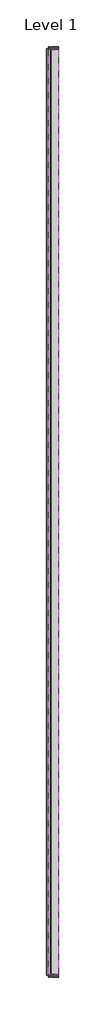
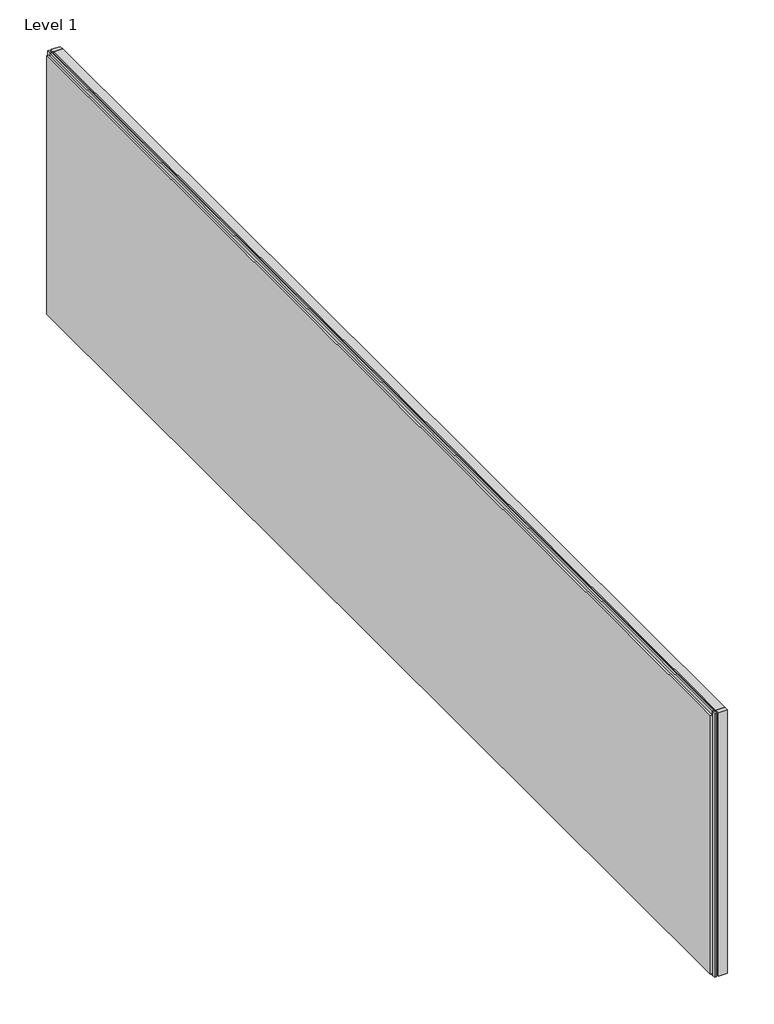
# One storey: 4 members, 1 plate.
"""IFC4 building model written with IfcOpenShell, lengths in millimetres."""

import ifcopenshell
import ifcopenshell.guid

model = None  # the IFC model being written
_history = None  # IfcOwnerHistory: only IFC2X3 demands one
_inside = {}  # id of a spatial element -> (the spatial element, [elements in it])
_under = {}  # id of a project, library or spatial element -> (it, [spatial elements below it])
_declared = {}  # id of a project -> (the project, [libraries it declares])
_typed = {}  # id of a type object -> (the type object, [elements of that type])
_made_of = {}  # id of a material, layer set ... -> (it, [elements and type objects made of it])


def new_model(schema):
    """Start an empty IFC model of exactly this schema.

    Asked for "IFC4X3", IfcOpenShell would pick the latest addendum, in which some entities
    have other attributes; the version numbers below select the first issue.
    IFC2X3 requires an IfcOwnerHistory on every rooted entity: one is made here for all.
    """
    global model, _history
    if schema == "IFC4X3":
        model = ifcopenshell.file(schema_version=(4, 3, 0, 0))
    else:
        model = ifcopenshell.file(schema=schema)
    _inside.clear()
    _under.clear()
    _declared.clear()
    _typed.clear()
    _made_of.clear()
    _history = None
    if model.schema == "IFC2X3":
        org = make("IfcOrganization", Name="unknown")
        user = make(
            "IfcPersonAndOrganization",
            ThePerson=make("IfcPerson", FamilyName="unknown"),
            TheOrganization=org,
        )
        app = make(
            "IfcApplication",
            ApplicationDeveloper=org,
            Version="unknown",
            ApplicationFullName="unknown",
            ApplicationIdentifier="unknown",
        )
        _history = make(
            "IfcOwnerHistory",
            OwningUser=user,
            OwningApplication=app,
            ChangeAction="ADDED",
            CreationDate=0,
        )
    return model


def make(cls, **values):
    """One entity of the class cls with the attributes given. An attribute that is None is left unset."""
    return model.create_entity(
        cls, **{name: value for name, value in values.items() if value is not None}
    )


def rooted(cls, **values):
    """An entity with a GlobalId (a new one), such as an element, a storey or a relation."""
    return make(cls, GlobalId=ifcopenshell.guid.new(), OwnerHistory=_history, **values)


def si_unit(unit_type, name, prefix=None):
    """IfcSIUnit, for example si_unit("LENGTHUNIT", "METRE", prefix="MILLI")."""
    return make("IfcSIUnit", UnitType=unit_type, Prefix=prefix, Name=name)


def assignment(units):
    """IfcUnitAssignment: the units of a project."""
    return None if units is None else make("IfcUnitAssignment", Units=units)


def point(xyz):
    """IfcCartesianPoint."""
    return None if xyz is None else make("IfcCartesianPoint", Coordinates=xyz)


def direction(xyz):
    """IfcDirection."""
    return None if xyz is None else make("IfcDirection", DirectionRatios=xyz)


def frame(location, z_axis=None, x_axis=None):
    """IfcAxis2Placement3D, a coordinate frame: its origin and axes. An axis left out is left unset."""
    return make(
        "IfcAxis2Placement3D",
        Location=point(location),
        Axis=direction(z_axis),
        RefDirection=direction(x_axis),
    )


def origin():
    """The frame at (0, 0, 0) with its axes left unset."""
    return frame((0.0, 0.0, 0.0))


def origin_with_axes():
    """The frame at (0, 0, 0) with the z axis (0, 0, 1) and the x axis (1, 0, 0) written out."""
    return frame((0.0, 0.0, 0.0), z_axis=(0.0, 0.0, 1.0), x_axis=(1.0, 0.0, 0.0))


def place(relative_to, where):
    """IfcLocalPlacement: puts the frame where relative to a parent placement (None: the world)."""
    return make(
        "IfcLocalPlacement", PlacementRelTo=relative_to, RelativePlacement=where
    )


def context(
    kind, dimensions, precision=None, world=None, true_north=None, identifier=None
):
    """IfcGeometricRepresentationContext, for example the 3D "Model" context."""
    return make(
        "IfcGeometricRepresentationContext",
        ContextIdentifier=identifier,
        ContextType=kind,
        CoordinateSpaceDimension=dimensions,
        Precision=precision,
        WorldCoordinateSystem=world,
        TrueNorth=true_north,
    )


def project(units=None, contexts=None):
    """IfcProject with its units and contexts."""
    return rooted(
        "IfcProject",
        Name="project",
        RepresentationContexts=contexts,
        UnitsInContext=assignment(units),
    )


def spatial(cls, under=None, at=None, **own):
    """A site, building, storey or space (cls), placed at a placement, below another one or the project."""
    s = rooted(cls, ObjectPlacement=at, **own)
    if under is not None:
        _under.setdefault(under.id(), (under, []))[1].append(s)
    return s


def polyline(points):
    """IfcPolyline through the points."""
    return make("IfcPolyline", Points=[point(p) for p in points])


def outline(outer, holes=None, kind="AREA"):
    """IfcArbitraryClosedProfileDef: a profile drawn as a closed curve; with holes, ...WithVoids."""
    if holes is None:
        return make("IfcArbitraryClosedProfileDef", ProfileType=kind, OuterCurve=outer)
    return make(
        "IfcArbitraryProfileDefWithVoids",
        ProfileType=kind,
        OuterCurve=outer,
        InnerCurves=holes,
    )


def extrude(swept, where, along, depth):
    """IfcExtrudedAreaSolid: the profile swept, set in the frame where, extruded along a direction by depth."""
    return make(
        "IfcExtrudedAreaSolid",
        SweptArea=swept,
        Position=where,
        ExtrudedDirection=direction(along),
        Depth=depth,
    )


def shape(context_of_items, identifier, shape_type, items):
    """IfcShapeRepresentation: the items that make up one representation, for example the "Body"."""
    return make(
        "IfcShapeRepresentation",
        ContextOfItems=context_of_items,
        RepresentationIdentifier=identifier,
        RepresentationType=shape_type,
        Items=items,
    )


def source(mapping_origin, context_of_items, identifier, shape_type, items):
    """IfcRepresentationMap: a shape defined once, which mapped items show again and again."""
    return make(
        "IfcRepresentationMap",
        MappingOrigin=mapping_origin,
        MappedRepresentation=shape(context_of_items, identifier, shape_type, items),
    )


def transform(
    local_origin,
    x_axis=None,
    y_axis=None,
    z_axis=None,
    scale=None,
    scale2=None,
    scale3=None,
    uniform=True,
):
    """IfcCartesianTransformationOperator3D, or its non-uniform kind. x_axis, y_axis, z_axis: its Axis1, 2, 3."""
    if uniform:
        return make(
            "IfcCartesianTransformationOperator3D",
            Axis1=direction(x_axis),
            Axis2=direction(y_axis),
            LocalOrigin=point(local_origin),
            Scale=scale,
            Axis3=direction(z_axis),
        )
    return make(
        "IfcCartesianTransformationOperator3DnonUniform",
        Axis1=direction(x_axis),
        Axis2=direction(y_axis),
        LocalOrigin=point(local_origin),
        Scale=scale,
        Axis3=direction(z_axis),
        Scale2=scale2,
        Scale3=scale3,
    )


def mapped(mapping_source, mapping_target):
    """IfcMappedItem: shows the shape of a source again, moved by a transform."""
    return make(
        "IfcMappedItem", MappingSource=mapping_source, MappingTarget=mapping_target
    )


def made_of(thing, what):
    """Note that an element or type object is made of a material, layer set ...; save() writes the relation."""
    if what is not None:
        _made_of.setdefault(what.id(), (what, []))[1].append(thing)
    return thing


def element(
    cls,
    number,
    at=None,
    inside=None,
    cuts=None,
    type_object=None,
    material=None,
    context=None,
    identifier="Body",
    shape_type=None,
    held_by="IfcProductDefinitionShape",
    body=None,
    shapes=None,
    **own,
):
    """One element of the class cls, such as IfcWall. Its Tag is "e" and its number.

    at: its placement. inside: the storey or other place that contains it. cuts: it is an
    opening in that element (IfcRelVoidsElement). A single representation is given by context,
    identifier, shape_type and body (its items); several are given by shapes. held_by: the class
    of the entity that holds the representations. save() writes the other relations.
    """
    e = rooted(cls, Tag="e%d" % number, ObjectPlacement=at, **own)
    if body is not None:
        shapes = [shape(context, identifier, shape_type, body)]
    if shapes is not None:
        e.Representation = make(held_by, Representations=shapes)
    if inside is not None:
        _inside.setdefault(inside.id(), (inside, []))[1].append(e)
    if cuts is not None:
        rooted(
            "IfcRelVoidsElement", RelatingBuildingElement=cuts, RelatedOpeningElement=e
        )
    if type_object is not None:
        _typed.setdefault(type_object.id(), (type_object, []))[1].append(e)
    return made_of(e, material)


def aggregate(whole, parts):
    """IfcRelAggregates: a whole, such as a stair, and the parts it consists of."""
    return rooted("IfcRelAggregates", RelatingObject=whole, RelatedObjects=parts)


def save(model, path):
    """Write the relations noted so far, then the file.

    IfcRelAggregates (storeys below a building ...), IfcRelContainedInSpatialStructure (elements
    in a storey), IfcRelDefinesByType, IfcRelAssociatesMaterial and IfcRelDeclares: one each for
    every whole, place, type object, material and project.
    """
    for whole, parts in _under.values():
        aggregate(whole, parts)
    for where, things in _inside.values():
        rooted(
            "IfcRelContainedInSpatialStructure",
            RelatedElements=things,
            RelatingStructure=where,
        )
    for kind, things in _typed.values():
        rooted("IfcRelDefinesByType", RelatedObjects=things, RelatingType=kind)
    for what, things in _made_of.values():
        rooted("IfcRelAssociatesMaterial", RelatedObjects=things, RelatingMaterial=what)
    for by, libraries in _declared.values():
        rooted("IfcRelDeclares", RelatingContext=by, RelatedDefinitions=libraries)
    model.write(path)


def rectangular_mullion1_center_15x50_mm_07ad975f(model_context):
    return source(origin(), model_context, "Body", "SweptSolid", [
        extrude(outline(polyline([(-50.0, 17.0), (0.0, 17.0), (0.0, -3.0), (-16.3125, -3.0), (-16.3125, -25.8846154), (0.0, -25.8846154), (0.0, -133.0), (-50.0, -133.0), (-50.0, -25.8846154), (-33.6875, -25.8846154), (-33.6875, -3.0), (-50.0, -3.0), (-50.0, 17.0)])), frame((0.0, 0.0, -3350.0), z_axis=(0.0, 0.0, 1.0), x_axis=(1.0, 0.0, 0.0)), (0.0, 0.0, 1.0), 3350.0),
    ])


def rectangular_mullion1_center_15x50_mm_a65ace5a(model_context):
    return source(origin(), model_context, "Body", "SweptSolid", [
        extrude(outline(polyline([(0.0, 17.0), (0.0, -3.0), (-16.3125, -3.0), (-16.3125, -25.8846154), (0.0, -25.8846154), (0.0, -133.0), (-50.0, -133.0), (-50.0, -25.8846154), (-33.6875, -25.8846154), (-33.6875, -3.0), (-50.0, -3.0), (-50.0, 17.0), (0.0, 17.0)])), frame((0.0, 0.0, -3350.0), z_axis=(0.0, 0.0, 1.0), x_axis=(1.0, 0.0, 0.0)), (0.0, 0.0, 1.0), 3350.0),
    ])


def rectangular_mullion1_center_15x50_mm_8edfdc45(model_context):
    return source(origin(), model_context, "Body", "SweptSolid", [
        extrude(outline(polyline([(-50.0, 17.0), (0.0, 17.0), (0.0, -3.0), (-16.3125, -3.0), (-16.3125, -25.8846154), (0.0, -25.8846154), (0.0, -133.0), (-50.0, -133.0), (-50.0, -25.8846154), (-33.6875, -25.8846154), (-33.6875, -3.0), (-50.0, -3.0), (-50.0, 17.0)])), frame((0.0, 0.0, -13800.0), z_axis=(0.0, 0.0, 1.0), x_axis=(1.0, 0.0, 0.0)), (0.0, 0.0, 1.0), 13800.0),
    ])


def rectangular_mullion1_center_15x50_mm_954af626(model_context):
    return source(origin(), model_context, "Body", "SweptSolid", [
        extrude(outline(polyline([(0.0, 17.0), (0.0, -3.0), (-16.3125, -3.0), (-16.3125, -25.8846154), (0.0, -25.8846154), (0.0, -133.0), (-50.0, -133.0), (-50.0, -25.8846154), (-33.6875, -25.8846154), (-33.6875, -3.0), (-50.0, -3.0), (-50.0, 17.0), (0.0, 17.0)])), frame((0.0, 0.0, -13800.0), z_axis=(0.0, 0.0, 1.0), x_axis=(1.0, 0.0, 0.0)), (0.0, 0.0, 1.0), 13800.0),
    ])


def system_panel_glazed_fb766287(model_context):
    return source(origin(), model_context, "Body", "SweptSolid", [
        extrude(outline(polyline([(6916.3125, -49.5), (-6916.3125, -49.5), (-6916.3125, -24.5), (6916.3125, -24.5), (6916.3125, -49.5)])), origin_with_axes(), (0.0, 0.0, 1.0), 3282.625),
    ])


model = new_model("IFC4")

# Units and contexts
model_context = context("Model", 3, world=origin())
ifc_project = project(units=[si_unit("LENGTHUNIT", "METRE", prefix="MILLI")], contexts=[model_context])

# Site, building, storey
site = spatial("IfcSite", under=ifc_project)
building = spatial("IfcBuilding", under=site)
storey = spatial("IfcBuildingStorey", under=building, Name="Level 1", Elevation=0.0)

# Members
placement = place(None, origin())
rectangular_mullion1_center_15x50_mm_shape = rectangular_mullion1_center_15x50_mm_07ad975f(model_context)
element("IfcMember", 1, ObjectType="Rectangular Mullion1 : Center 15X50 mm", at=placement, inside=storey, context=model_context, shape_type="MappedRepresentation", body=[
    mapped(rectangular_mullion1_center_15x50_mm_shape, transform((-6529.5820428, -13436.3753995, 1150.0), x_axis=(0.0, -1.0, 0.0), y_axis=(-1.0, 0.0, 0.0), z_axis=(0.0, 0.0, -1.0))),
])
rectangular_mullion1_center_15x50_mm_2_shape = rectangular_mullion1_center_15x50_mm_a65ace5a(model_context)
element("IfcMember", 2, ObjectType="Rectangular Mullion1 : Center 15X50 mm", at=placement, inside=storey, context=model_context, shape_type="MappedRepresentation", body=[
    mapped(rectangular_mullion1_center_15x50_mm_2_shape, transform((-6529.5820428, 463.6246005, 4500.0), x_axis=(0.0, 1.0, 0.0), y_axis=(-1.0, 0.0, 0.0), z_axis=(0.0, 0.0, 1.0))),
])
rectangular_mullion1_center_15x50_mm_3_shape = rectangular_mullion1_center_15x50_mm_8edfdc45(model_context)
element("IfcMember", 3, ObjectType="Rectangular Mullion1 : Center 15X50 mm", at=placement, inside=storey, context=model_context, shape_type="MappedRepresentation", body=[
    mapped(rectangular_mullion1_center_15x50_mm_3_shape, transform((-6529.5820428, -13386.3753995, 4500.0), x_axis=(0.0, 0.0, 1.0), y_axis=(-1.0, 0.0, 0.0), z_axis=(0.0, -1.0, 0.0))),
])
rectangular_mullion1_center_15x50_mm_4_shape = rectangular_mullion1_center_15x50_mm_954af626(model_context)
element("IfcMember", 4, ObjectType="Rectangular Mullion1 : Center 15X50 mm", at=placement, inside=storey, context=model_context, shape_type="MappedRepresentation", body=[
    mapped(rectangular_mullion1_center_15x50_mm_4_shape, transform((-6529.5820428, 413.6246005, 1150.0), x_axis=(0.0, 0.0, -1.0), y_axis=(-1.0, 0.0, 0.0), z_axis=(0.0, 1.0, 0.0))),
])

# Plate
system_panel_glazed_shape = system_panel_glazed_fb766287(model_context)
element("IfcPlate", 5, ObjectType="System Panel : Glazed", at=placement, inside=storey, context=model_context, shape_type="MappedRepresentation", body=[
    mapped(system_panel_glazed_shape, transform((-6529.5820428, -6486.3753995, 1183.6875), x_axis=(0.0, -1.0, 0.0), y_axis=(1.0, 0.0, 0.0), z_axis=(0.0, 0.0, 1.0))),
])

save(model, "model.ifc")
